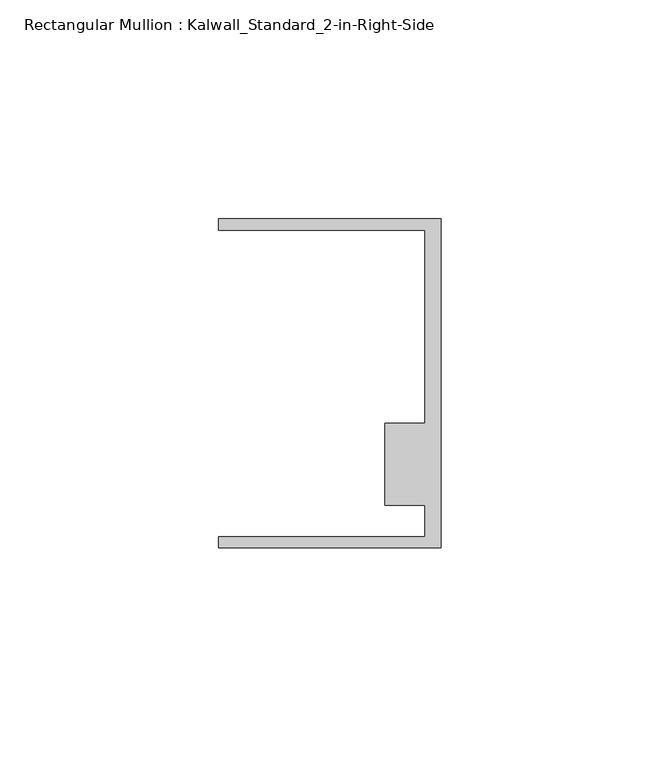
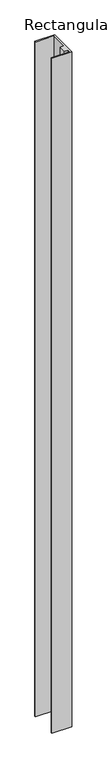
"""IFC4 building model written with IfcOpenShell, lengths in millimetres: member geometry, Rectangular Mullion : Kalwall_Standard_2-in-Right-Side."""

from ifc_helpers import new_model, si_unit, frame, origin, place, context, project, spatial, polyline, outline, extrude, source, transform, mapped, element, save


def rectangular_mullion_kalwall_standard_2_in_right_side_1f5f85ca(model_context):
    return source(origin(), model_context, "Body", "SweptSolid", [
        extrude(outline(polyline([(0.0, -37.5776386), (-50.8, -37.5776386), (-50.8, -35.0376386), (-3.7084, -35.0376386), (-3.7084, -27.8888568), (-12.8272539, -27.8888568), (-12.8272539, -9.1879886), (-3.7084, -9.1879886), (-3.7084, 34.9623614), (-50.8, 34.9623614), (-50.8, 37.5023614), (0.0, 37.5023614), (0.0, -37.5776386)])), frame((0.0, 0.0, -1827.425), z_axis=(0.0, 0.0, 1.0), x_axis=(1.0, 0.0, 0.0)), (0.0, 0.0, 1.0), 1827.425),
    ])


if __name__ == "__main__":
    model = new_model("IFC4")
    model_context = context("Model", 3, world=origin())
    ifc_project = project(units=[si_unit("LENGTHUNIT", "METRE", prefix="MILLI")], contexts=[model_context])
    site = spatial("IfcSite", under=ifc_project)
    building = spatial("IfcBuilding", under=site)
    placement = place(None, origin())
    rectangular_mullion_kalwall_standard_2_in_right_side_shape = rectangular_mullion_kalwall_standard_2_in_right_side_1f5f85ca(model_context)
    element("IfcMember", 1, ObjectType="Rectangular Mullion : Kalwall_Standard_2-in-Right-Side", at=placement, inside=building, context=model_context, shape_type="MappedRepresentation", body=[
        mapped(rectangular_mullion_kalwall_standard_2_in_right_side_shape, transform((0.0, 0.0, 0.0), x_axis=(1.0, 0.0, 0.0), y_axis=(0.0, 1.0, 0.0), z_axis=(0.0, 0.0, 1.0))),
    ])
    save(model, "model.ifc")
